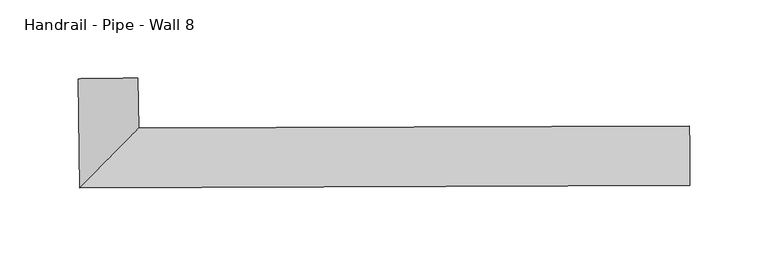
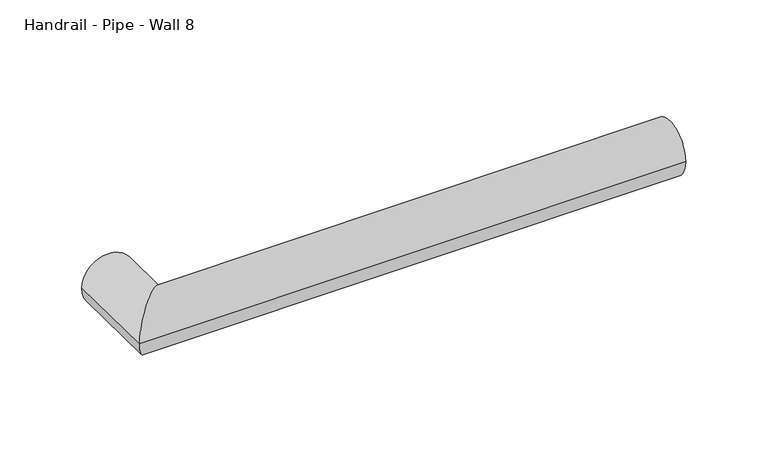
"""IFC4 building model written with IfcOpenShell, lengths in millimetres: railing geometry, Handrail - Pipe - Wall 8."""

from ifc_helpers import new_model, si_unit, frame, origin, place, context, project, spatial, circle_curve, ellipse_curve, source, transform, mapped, element, save
from ifc_brep_helpers import plane_surface, cylinder_surface, advanced_brep


def handrail_pipe_wall_8_8d18cfa0(model_context):
    return source(origin(), model_context, "Body", "AdvancedBrep", [
        advanced_brep(
        [(-24624.2960202, 36075.7972377, -13188.95), (-24586.1986637, 36076.2460468, -13188.95), (-24585.8234805, 36044.3984556, -13188.95), (-24623.4755547, 36006.1516724, -13188.95), (-24233.8952938, 36007.6674326, -13188.95), (-24234.0435303, 36045.7671442, -13188.95)],
        [
            (0, 1, circle_curve(frame((-24605.247342, 36076.0216423, -13188.95), z_axis=(-0.011779767422648765, 0.9999306161326736, 0.0), x_axis=(0.9999306161326736, 0.011779767422648765, 0.0)), 19.05)),
            (1, 0, circle_curve(frame((-24605.247342, 36076.0216423, -13188.95), z_axis=(-0.011779767422648765, 0.9999306161326736, 0.0), x_axis=(0.9999306161326736, 0.011779767422648765, 0.0)), 19.05)),
            (2, 3, ellipse_curve(frame((-24604.6495176, 36025.275064, -13188.95), z_axis=(-0.7126254735070768, 0.7015446774859138, 0.0), x_axis=(-0.7015446774859139, -0.7126254735070766, 0.0)), 26.8351222, 19.05)),
            (3, 0),
            (1, 2),
            (3, 2, ellipse_curve(frame((-24604.6495176, 36025.275064, -13188.95), z_axis=(-0.7126254735070768, 0.7015446774859138, 0.0), x_axis=(-0.7015446774859139, -0.7126254735070766, 0.0)), 26.8351222, 19.05)),
            (4, 5, circle_curve(frame((-24233.969412, 36026.7172884, -13188.95), z_axis=(0.9999924311098974, 0.0038907226728724965, 0.0), x_axis=(-0.0038907226728724965, 0.9999924311098974, 0.0)), 19.05)),
            (5, 4, circle_curve(frame((-24233.969412, 36026.7172884, -13188.95), z_axis=(0.9999924311098974, 0.0038907226728724965, 0.0), x_axis=(-0.0038907226728724965, 0.9999924311098974, 0.0)), 19.05)),
            (4, 3),
            (2, 5),
        ],
        [
            plane_surface(frame((-24605.247342, 36076.0216423, -13169.9), z_axis=(-0.011779767422648657, 0.9999306161326736, 0.0), x_axis=(0.9999306161326736, 0.011779767422648657, 0.0))),
            cylinder_surface(frame((-24604.6495176, 36025.275064, -13188.95), z_axis=(0.011779767422648765, -0.9999306161326736, 0.0), x_axis=(0.9999306161326736, 0.011779767422648765, 0.0)), 19.05),
            plane_surface(frame((-24233.969412, 36026.7172884, -13169.9), z_axis=(0.9999924311098974, 0.0038907226728724965, 0.0), x_axis=(0.0038907226728724965, -0.9999924311098974, 0.0))),
            cylinder_surface(frame((-24233.969412, 36026.7172884, -13188.95), z_axis=(0.9999924311098974, 0.0038907226728724965, 0.0), x_axis=(-0.0038907226728724965, 0.9999924311098974, 0.0)), 19.05),
        ],
        [
            (0, [[1, 2]]),
            (1, [[3, 4, -2, 5]]),
            (1, [[6, -5, -1, -4]]),
            (2, [[7, 8]]),
            (3, [[-7, 9, -3, 10]]),
            (3, [[-8, -10, -6, -9]]),
        ],
    ),
    ])


if __name__ == "__main__":
    model = new_model("IFC4")
    model_context = context("Model", 3, world=origin())
    ifc_project = project(units=[si_unit("LENGTHUNIT", "METRE", prefix="MILLI")], contexts=[model_context])
    site = spatial("IfcSite", under=ifc_project)
    building = spatial("IfcBuilding", under=site)
    placement = place(None, origin())
    handrail_pipe_wall_8_shape = handrail_pipe_wall_8_8d18cfa0(model_context)
    element("IfcRailing", 1, ObjectType="Handrail - Pipe - Wall 8", at=placement, inside=building, context=model_context, shape_type="MappedRepresentation", body=[
        mapped(handrail_pipe_wall_8_shape, transform((0.0, 0.0, 0.0), x_axis=(1.0, 0.0, 0.0), y_axis=(0.0, 1.0, 0.0), z_axis=(0.0, 0.0, 1.0))),
    ])
    save(model, "model.ifc")
